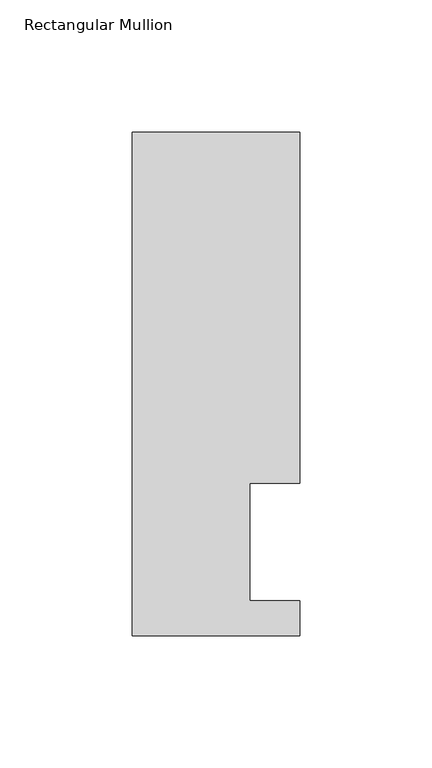
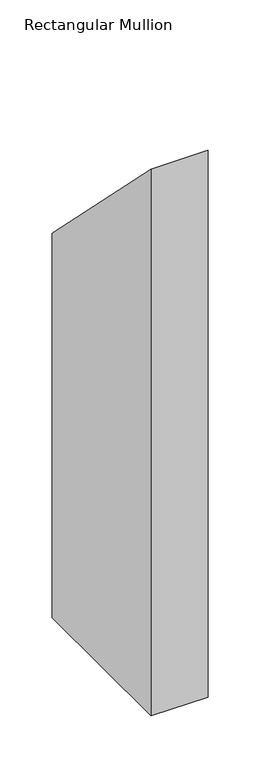
"""IFC4 building model written with IfcOpenShell, lengths in millimetres: member geometry, Rectangular Mullion."""

from ifc_helpers import new_model, si_unit, origin, place, context, project, spatial, faceted_brep, source, transform, mapped, element, save


def rectangular_mullion_54931db4(model_context):
    return source(origin(), model_context, "Body", "Brep", [
        faceted_brep([(0.0, 57.6460937, -641.35), (-19.05, 57.6460937, -641.35), (-19.05, 13.1960938, -641.35), (0.0, 13.1960938, -641.35), (0.0, 0.0134938, -641.35), (-63.5, 0.0134938, -641.35), (-63.5, 190.5896938, -641.35), (0.0, 190.5896938, -641.35), (0.0, 190.5896938, -190.5896938), (0.0, 57.6460937, -57.6460938), (-63.5, 190.5896938, -190.5896938), (-63.5, 0.0134938, -0.0134938), (0.0, 0.0134938, -0.0134938), (0.0, 13.1960938, -13.1960938), (-19.05, 13.1960938, -13.1960938), (-19.05, 57.6460937, -57.6460938)], [[[0, 1, 2, 3, 4, 5, 6, 7]], [[8, 9, 0, 7]], [[10, 8, 7, 6]], [[11, 10, 6, 5]], [[12, 11, 5, 4]], [[13, 12, 4, 3]], [[14, 13, 3, 2]], [[15, 14, 2, 1]], [[9, 15, 1, 0]], [[9, 8, 10, 11, 12, 13, 14, 15]]]),
    ])


if __name__ == "__main__":
    model = new_model("IFC4")
    model_context = context("Model", 3, world=origin())
    ifc_project = project(units=[si_unit("LENGTHUNIT", "METRE", prefix="MILLI")], contexts=[model_context])
    site = spatial("IfcSite", under=ifc_project)
    building = spatial("IfcBuilding", under=site)
    placement = place(None, origin())
    rectangular_mullion_shape = rectangular_mullion_54931db4(model_context)
    element("IfcMember", 1, ObjectType="Rectangular Mullion", at=placement, inside=building, context=model_context, shape_type="MappedRepresentation", body=[
        mapped(rectangular_mullion_shape, transform((0.0, 0.0, 0.0), x_axis=(1.0, 0.0, 0.0), y_axis=(0.0, 1.0, 0.0), z_axis=(0.0, 0.0, 1.0))),
    ])
    save(model, "model.ifc")
